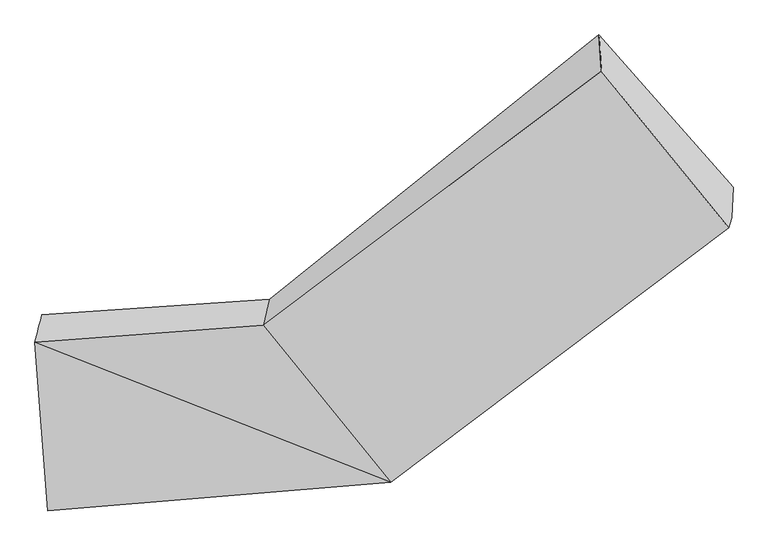
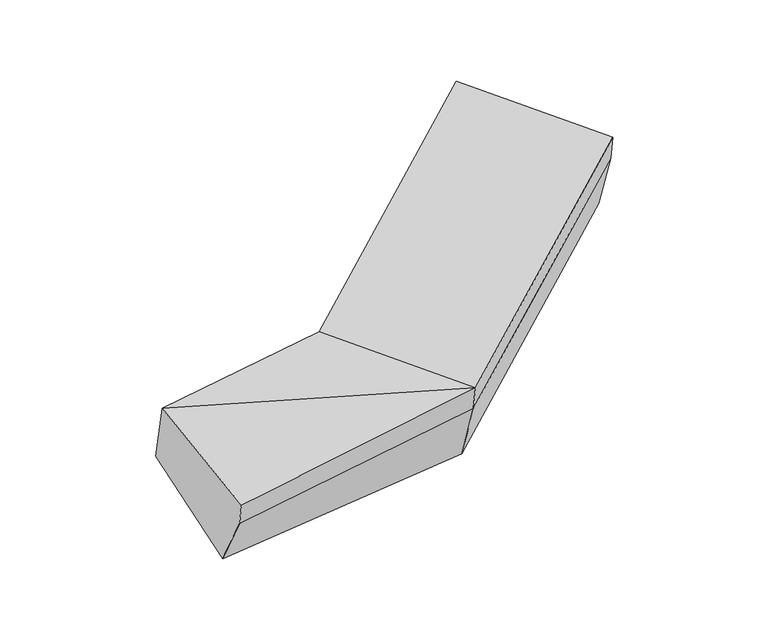
"""IFC4 building model written with IfcOpenShell, lengths in millimetres: proxy geometry."""

from ifc_helpers import new_model, si_unit, frame, origin, place, context, project, spatial, source, transform, mapped, element, save
from ifc_brep_helpers import plane_surface, spline_surface, advanced_brep


def generic_models_5059924e(model_context):
    return source(origin(), model_context, "Body", "AdvancedBrep", [
        advanced_brep(
        [(-1258.6870646, -1661.7750522, 1645.0879487), (-1287.6180558, -1773.9707464, 2014.1207527), (-348.8165087, -1706.0018594, 2108.7134317), (-323.4931145, -1597.0925929, 1732.6153391), (-1234.1974505, -2467.7630962, 1829.1926199), (173.7539378, -2349.9135463, 1974.9305184), (-1223.4211285, -2431.0383216, 1694.525765), (186.0697344, -2307.9423753, 1821.0255414), (-1201.3373134, -2224.9074349, 1346.4361019), (192.2243356, -2182.6353842, 1468.8865505), (1575.0856889, -1262.978737, 2217.1477895), (1581.2402901, -1137.6717458, 1865.0087986), (1030.2312679, -512.0590953, 2146.7850734), (1040.1994458, -661.038221, 2504.8356798), (1562.7698923, -1304.9499079, 2371.0527666)],
        [
            (0, 1),
            (1, 2),
            (2, 3),
            (3, 0),
            (1, 4),
            (4, 5),
            (5, 1),
            (4, 6),
            (6, 7),
            (7, 5),
            (6, 8),
            (8, 9),
            (9, 7),
            (8, 0),
            (3, 9),
            (10, 11),
            (11, 12),
            (12, 13),
            (13, 14),
            (14, 10),
            (5, 2),
            (9, 11),
            (10, 7),
            (3, 12),
            (2, 13),
            (5, 14),
        ],
        [
            spline_surface(1, 1, [[(-1258.6870646, -1661.7750522, 1645.0879487), (-323.4931145, -1597.0925929, 1732.6153391)], [(-1287.6180558, -1773.9707464, 2014.1207527), (-348.8165087, -1706.0018594, 2108.7134317)]], [2, 2], [2, 2], [0.0, 1.0], [0.0, 1.0]),
            plane_surface(frame((-1260.9077532, -2120.8669213, 1921.6566863), z_axis=(-0.07760169945723414, -0.26235235637840615, 0.9618467743586018), x_axis=(0.07419528512680194, -0.9636004858121637, -0.25684462892479304))),
            plane_surface(frame((-1228.8092895, -2449.4007089, 1761.8591924), z_axis=(0.10672572094143983, -0.9613930661194526, -0.2536394939810596), x_axis=(0.07697372870550177, 0.2623198187066273, -0.9619061065420544))),
            spline_surface(1, 1, [[(-1223.4211285, -2431.0383216, 1694.525765), (186.0697344, -2307.9423753, 1821.0255414)], [(-1201.3373134, -2224.9074349, 1346.4361019), (192.2243356, -2182.6353842, 1468.8865505)]], [2, 2], [2, 2], [0.0, 1.0], [0.0, 1.0]),
            spline_surface(1, 1, [[(-1201.3373134, -2224.9074349, 1346.4361019), (192.2243356, -2182.6353842, 1468.8865505)], [(-1258.6870646, -1661.7750522, 1645.0879487), (-323.4931145, -1597.0925929, 1732.6153391)]], [2, 2], [2, 2], [0.0, 1.0], [0.0, 1.0]),
            plane_surface(frame((1357.905317, -975.7395414, 2220.9660216), z_axis=(0.7791386824857012, 0.5861499213223924, 0.22219627176935033), x_axis=(0.01646406538649622, 0.3352065232286779, -0.9420008075027808))),
            plane_surface(frame((-1241.0522026, -2111.8909303, 1705.8726376), z_axis=(-0.9942686280649313, -0.051598609053823394, -0.09363481611873765), x_axis=(0.08960898620488017, -0.8798943479945281, -0.4666435105716331))),
            plane_surface(frame((-1287.6180558, -1773.9707464, 2014.1207527), z_axis=(-0.07785540182206295, -0.26298297490333417, 0.961654039308377), x_axis=(0.6221076743969768, -0.7665615320686765, -0.1592653729123459))),
            plane_surface(frame((189.147035, -2245.2888798, 1644.9560459), z_axis=(0.6266353389375648, -0.7376075220052285, -0.2515219582380628), x_axis=(0.01646406538649622, 0.3352065232286779, -0.9420008075027808))),
            plane_surface(frame((-65.6343894, -1889.8639885, 1600.7509448), z_axis=(-0.029720844064627105, 0.3886078930912197, -0.9209237627813116), x_axis=(-0.6261466161231986, 0.710923466458207, 0.3202003122367534))),
            spline_surface(1, 1, [[(-323.4931145, -1597.0925929, 1732.6153391), (1030.2312679, -512.0590953, 2146.7850734)], [(-348.8165087, -1706.0018594, 2108.7134317), (1040.1994458, -661.038221, 2504.8356798)]], [2, 2], [2, 2], [0.0, 1.0], [0.0, 1.0]),
            plane_surface(frame((-87.5312855, -2027.9577028, 2041.8219751), z_axis=(-0.07697372870550344, -0.26231981870662463, 0.961906106542055), x_axis=(0.6221076743969767, -0.7665615320686766, -0.1592653729123459))),
            plane_surface(frame((179.9118361, -2328.9279608, 1897.9780299), z_axis=(0.6221076743969806, -0.7665615320686733, -0.159265372912348), x_axis=(0.07697372870550177, 0.2623198187066273, -0.9619061065420544))),
        ],
        [
            (0, [[1, 2, 3, 4]]),
            (1, [[5, 6, 7]]),
            (2, [[8, 9, 10, -6]]),
            (3, [[11, 12, 13, -9]]),
            (4, [[14, -4, 15, -12]]),
            (5, [[16, 17, 18, 19, 20]]),
            (6, [[-14, -11, -8, -5, -1]]),
            (7, [[21, -2, -7]]),
            (8, [[-13, 22, -16, 23]]),
            (9, [[-15, 24, -17, -22]]),
            (10, [[-3, 25, -18, -24]]),
            (11, [[-21, 26, -19, -25]]),
            (12, [[-10, -23, -20, -26]]),
        ],
    ),
    ])


if __name__ == "__main__":
    model = new_model("IFC4")
    model_context = context("Model", 3, world=origin())
    ifc_project = project(units=[si_unit("LENGTHUNIT", "METRE", prefix="MILLI")], contexts=[model_context])
    site = spatial("IfcSite", under=ifc_project)
    building = spatial("IfcBuilding", under=site)
    placement = place(None, origin())
    generic_models_shape = generic_models_5059924e(model_context)
    element("IfcBuildingElementProxy", 1, Name="Generic Models", at=placement, inside=building, context=model_context, shape_type="MappedRepresentation", body=[
        mapped(generic_models_shape, transform((0.0, 0.0, 0.0), x_axis=(1.0, 0.0, 0.0), y_axis=(0.0, 1.0, 0.0), z_axis=(0.0, 0.0, 1.0))),
    ])
    save(model, "model.ifc")
